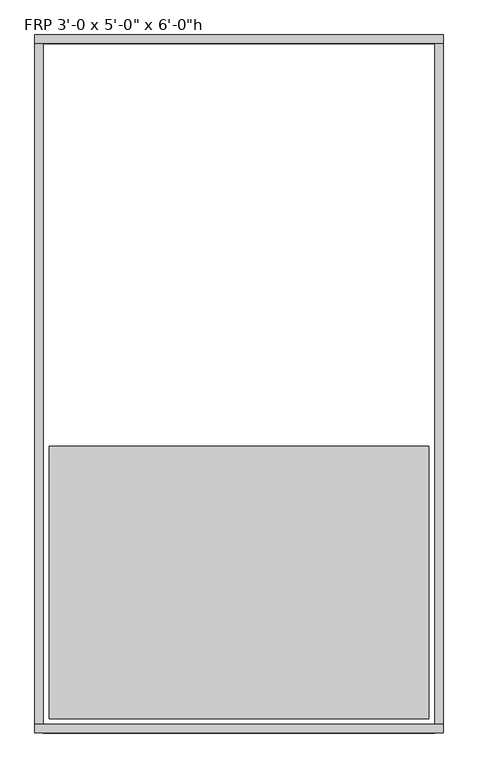
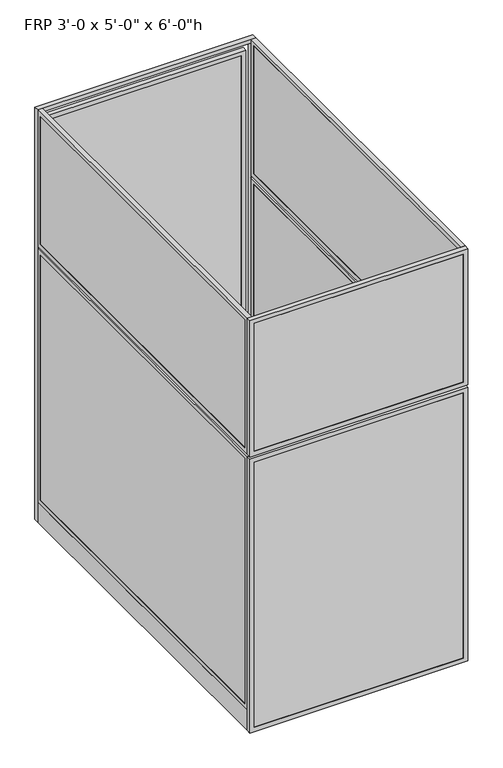
"""IFC4 building model written with IfcOpenShell, lengths in millimetres: proxy geometry."""

from ifc_helpers import new_model, si_unit, frame, origin, origin_with_axes, place, context, project, spatial, polyline, outline, extrude, source, transform, mapped, element, save


def proxy_a1ebe7ce(model_context):
    return source(origin(), model_context, "Body", "SweptSolid", [
        extrude(outline(polyline([(60.3189838, 1541.4625), (854.0810162, 1541.4625), (854.0810162, 1525.5875), (60.3189838, 1525.5875), (60.3189838, 1541.4625)])), frame((0.0, 0.0, 60.325), z_axis=(0.0, 0.0, 1.0), x_axis=(1.0, 0.0, 0.0)), (0.0, 0.0, 1.0), 1708.15),
        extrude(outline(polyline([(41.275, 41.2689838), (41.275, 873.1310162), (1787.525, 873.1310162), (1787.525, 41.2689838), (41.275, 41.2689838)]), holes=[polyline([(1768.475, 854.0810162), (60.325, 854.0810162), (60.325, 60.3189838), (1768.475, 60.3189838), (1768.475, 854.0810162)])]), frame((0.0, 1524.0, 0.0), z_axis=(0.0, 1.0, 0.0), x_axis=(0.0, 0.0, 1.0)), (0.0, 0.0, 1.0), 19.05),
        extrude(outline(polyline([(0.0, 0.0), (0.0, 914.4), (1828.8, 914.4), (1828.8, 0.0), (0.0, 0.0)]), holes=[polyline([(1809.75, 19.05), (1809.75, 895.35), (19.05, 895.35), (19.05, 19.05), (1809.75, 19.05)])]), frame((0.0, 1524.0, 0.0), z_axis=(0.0, 1.0, 0.0), x_axis=(0.0, 0.0, 1.0)), (0.0, 0.0, 1.0), 19.05),
        extrude(outline(polyline([(1214.4375, 914.4), (1214.4375, 0.0), (0.0, 0.0), (0.0, 914.4), (1214.4375, 914.4)]), holes=[polyline([(19.05, 895.35), (19.05, 19.05), (1195.3875, 19.05), (1195.3875, 895.35), (19.05, 895.35)])]), frame((0.0, -19.05, 0.0), z_axis=(0.0, 1.0, 0.0), x_axis=(0.0, 0.0, 1.0)), (0.0, 0.0, 1.0), 19.05),
        extrude(outline(polyline([(1223.9625, 914.4), (1828.8, 914.4), (1828.8, 0.0), (1223.9625, 0.0), (1223.9625, 914.4)]), holes=[polyline([(1809.75, 895.35), (1243.0125, 895.35), (1243.0125, 19.05), (1809.75, 19.05), (1809.75, 895.35)])]), frame((0.0, -19.05, 0.0), z_axis=(0.0, 1.0, 0.0), x_axis=(0.0, 0.0, 1.0)), (0.0, 0.0, 1.0), 19.05),
        extrude(outline(polyline([(895.35, -17.4625), (19.05, -17.4625), (19.05, -1.5875), (895.35, -1.5875), (895.35, -17.4625)])), frame((0.0, 0.0, 19.05), z_axis=(0.0, 0.0, 1.0), x_axis=(1.0, 0.0, 0.0)), (0.0, 0.0, 1.0), 1176.3375),
        extrude(outline(polyline([(895.35, -17.4625), (19.05, -17.4625), (19.05, -1.5875), (895.35, -1.5875), (895.35, -17.4625)])), frame((0.0, 0.0, 1243.0125), z_axis=(0.0, 0.0, 1.0), x_axis=(1.0, 0.0, 0.0)), (0.0, 0.0, 1.0), 566.7375),
        extrude(outline(polyline([(895.35, 0.0), (895.35, 1524.0), (914.4, 1524.0), (914.4, 0.0), (895.35, 0.0)])), origin_with_axes(), (0.0, 0.0, 1.0), 88.9),
        extrude(outline(polyline([(1524.0, 88.9), (0.0, 88.9), (0.0, 1214.4375), (1524.0, 1214.4375), (1524.0, 88.9)]), holes=[polyline([(1504.95, 1195.3875), (19.05, 1195.3875), (19.05, 107.95), (1504.95, 107.95), (1504.95, 1195.3875)])]), frame((895.35, 0.0, 0.0), z_axis=(1.0, 0.0, 0.0), x_axis=(0.0, 1.0, 0.0)), (0.0, 0.0, 1.0), 19.05),
        extrude(outline(polyline([(0.0, 1223.9625), (0.0, 1828.8), (1524.0, 1828.8), (1524.0, 1223.9625), (0.0, 1223.9625)]), holes=[polyline([(19.05, 1809.75), (19.05, 1243.0125), (1504.95, 1243.0125), (1504.95, 1809.75), (19.05, 1809.75)])]), frame((895.35, 0.0, 0.0), z_axis=(1.0, 0.0, 0.0), x_axis=(0.0, 1.0, 0.0)), (0.0, 0.0, 1.0), 19.05),
        extrude(outline(polyline([(896.9375, 19.05), (896.9375, 1504.95), (912.8125, 1504.95), (912.8125, 19.05), (896.9375, 19.05)])), frame((0.0, 0.0, 107.95), z_axis=(0.0, 0.0, 1.0), x_axis=(1.0, 0.0, 0.0)), (0.0, 0.0, 1.0), 1087.4375),
        extrude(outline(polyline([(896.9375, 19.05), (896.9375, 1504.95), (912.8125, 1504.95), (912.8125, 19.05), (896.9375, 19.05)])), frame((0.0, 0.0, 1243.0125), z_axis=(0.0, 0.0, 1.0), x_axis=(1.0, 0.0, 0.0)), (0.0, 0.0, 1.0), 566.7375),
        extrude(outline(polyline([(0.0, 0.0), (0.0, 1524.0), (19.05, 1524.0), (19.05, 0.0), (0.0, 0.0)])), origin_with_axes(), (0.0, 0.0, 1.0), 88.9),
        extrude(outline(polyline([(1524.0, 88.9), (0.0, 88.9), (0.0, 1214.4375), (1524.0, 1214.4375), (1524.0, 88.9)]), holes=[polyline([(1504.95, 1195.3875), (19.05, 1195.3875), (19.05, 107.95), (1504.95, 107.95), (1504.95, 1195.3875)])]), frame((0.0, 0.0, 0.0), z_axis=(1.0, 0.0, 0.0), x_axis=(0.0, 1.0, 0.0)), (0.0, 0.0, 1.0), 19.05),
        extrude(outline(polyline([(0.0, 1223.9625), (0.0, 1828.8), (1524.0, 1828.8), (1524.0, 1223.9625), (0.0, 1223.9625)]), holes=[polyline([(19.05, 1809.75), (19.05, 1243.0125), (1504.95, 1243.0125), (1504.95, 1809.75), (19.05, 1809.75)])]), frame((0.0, 0.0, 0.0), z_axis=(1.0, 0.0, 0.0), x_axis=(0.0, 1.0, 0.0)), (0.0, 0.0, 1.0), 19.05),
        extrude(outline(polyline([(1.5875, 19.05), (1.5875, 1504.95), (17.4625, 1504.95), (17.4625, 19.05), (1.5875, 19.05)])), frame((0.0, 0.0, 107.95), z_axis=(0.0, 0.0, 1.0), x_axis=(1.0, 0.0, 0.0)), (0.0, 0.0, 1.0), 1087.4375),
        extrude(outline(polyline([(1.5875, 19.05), (1.5875, 1504.95), (17.4625, 1504.95), (17.4625, 19.05), (1.5875, 19.05)])), frame((0.0, 0.0, 1243.0125), z_axis=(0.0, 0.0, 1.0), x_axis=(1.0, 0.0, 0.0)), (0.0, 0.0, 1.0), 566.7375),
        extrude(outline(polyline([(882.65, 622.3), (882.65, 609.6), (31.75, 609.6), (31.75, 622.3), (882.65, 622.3)])), origin_with_axes(), (0.0, 0.0, 1.0), 152.4),
        extrude(outline(polyline([(882.65, 622.3), (882.65, 12.7), (31.75, 12.7), (31.75, 622.3), (882.65, 622.3)])), frame((0.0, 0.0, 152.4), z_axis=(0.0, 0.0, 1.0), x_axis=(1.0, 0.0, 0.0)), (0.0, 0.0, 1.0), 12.7),
    ])


if __name__ == "__main__":
    model = new_model("IFC4")
    model_context = context("Model", 3, world=origin())
    ifc_project = project(units=[si_unit("LENGTHUNIT", "METRE", prefix="MILLI")], contexts=[model_context])
    site = spatial("IfcSite", under=ifc_project)
    building = spatial("IfcBuilding", under=site)
    placement = place(None, origin())
    proxy_shape = proxy_a1ebe7ce(model_context)
    element("IfcBuildingElementProxy", 1, Name="FRP 3'-0 x 5'-0\" x 6'-0\"h", ObjectType="FRP 3'-0 x 5'-0\" x 6'-0\"h", at=placement, inside=building, context=model_context, shape_type="MappedRepresentation", body=[
        mapped(proxy_shape, transform((0.0, 0.0, 0.0), x_axis=(1.0, 0.0, 0.0), y_axis=(0.0, 1.0, 0.0), z_axis=(0.0, 0.0, 1.0))),
    ])
    save(model, "model.ifc")
